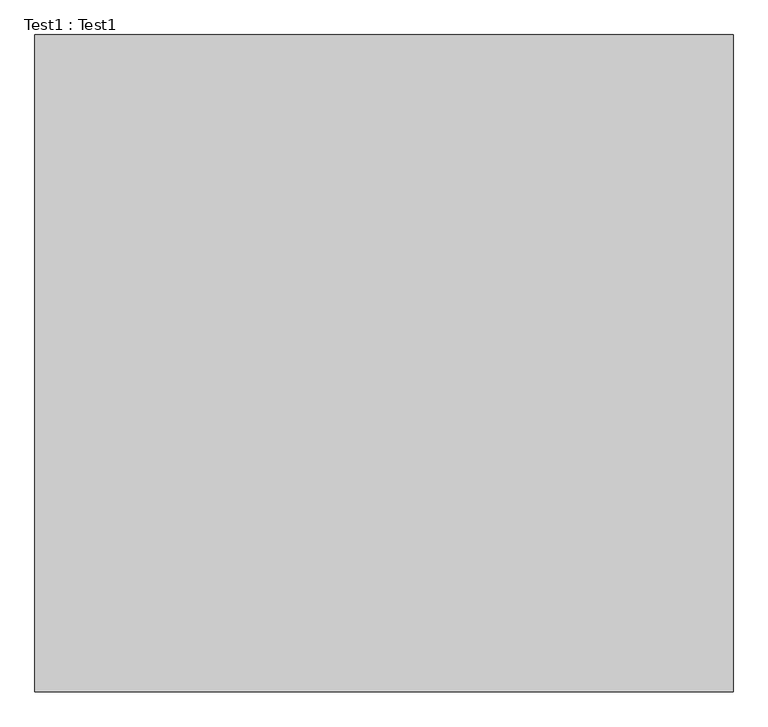
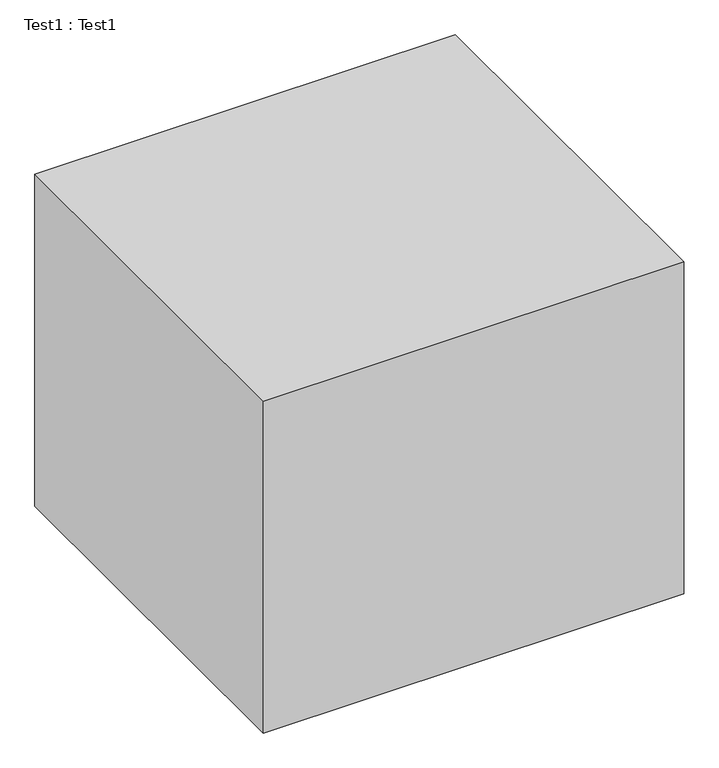
"""IFC4 building model written with IfcOpenShell, lengths in millimetres: proxy geometry, Test1 : Test1."""

from ifc_helpers import new_model, si_unit, origin, origin_with_axes, place, context, project, spatial, polyline, outline, extrude, source, transform, mapped, element, save


def test1_test1_7747f259(model_context):
    return source(origin(), model_context, "Body", "SweptSolid", [
        extrude(outline(polyline([(1700.0, 0.0), (0.0, 0.0), (0.0, 1600.0), (1700.0, 1600.0), (1700.0, 0.0)])), origin_with_axes(), (0.0, 0.0, 1.0), 1419.7633295),
    ])


if __name__ == "__main__":
    model = new_model("IFC4")
    model_context = context("Model", 3, world=origin())
    ifc_project = project(units=[si_unit("LENGTHUNIT", "METRE", prefix="MILLI")], contexts=[model_context])
    site = spatial("IfcSite", under=ifc_project)
    building = spatial("IfcBuilding", under=site)
    placement = place(None, origin())
    test1_test1_shape = test1_test1_7747f259(model_context)
    element("IfcBuildingElementProxy", 1, Name="Test1 : Test1", ObjectType="Test1 : Test1", at=placement, inside=building, context=model_context, shape_type="MappedRepresentation", body=[
        mapped(test1_test1_shape, transform((0.0, 0.0, 0.0), x_axis=(1.0, 0.0, 0.0), y_axis=(0.0, 1.0, 0.0), z_axis=(0.0, 0.0, 1.0))),
    ])
    save(model, "model.ifc")
